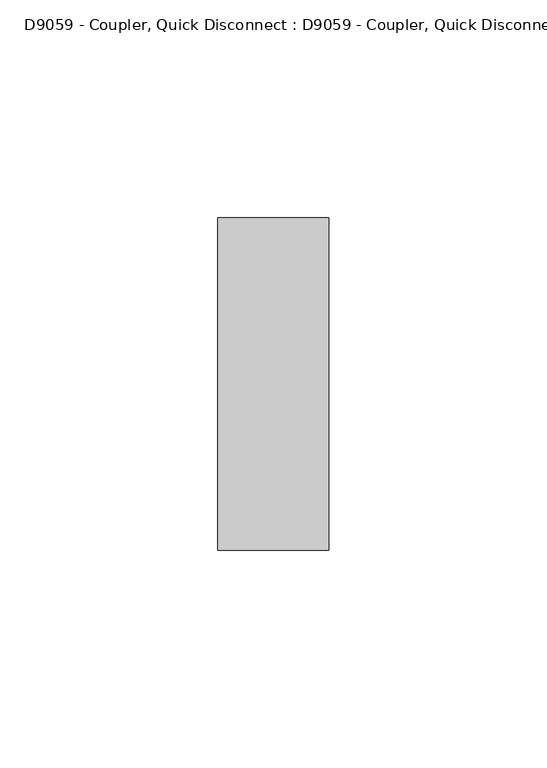
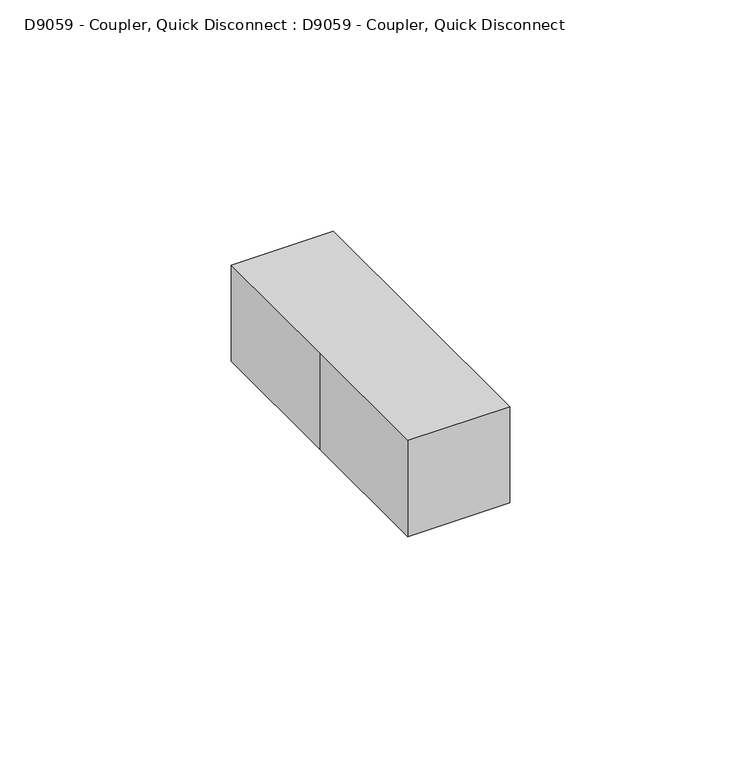
"""IFC4 building model written with IfcOpenShell, lengths in millimetres: proxy geometry, D9059 - Coupler, Quick Disconnect : D9059 - Coupler, Quick Disconnect."""

from ifc_helpers import new_model, si_unit, origin, origin_with_axes, place, context, project, spatial, polyline, outline, extrude, source, transform, mapped, element, save


def d9059_coupler_quick_disconnect_d9059_coupler_quick_63f1e9ec(model_context):
    return source(origin(), model_context, "Body", "SweptSolid", [
        extrude(outline(polyline([(9.8843685, 34.6812662), (9.8843685, -35.1687338), (-9.1656315, -35.1687338), (-9.1656315, 34.6812662), (9.8843685, 34.6812662)])), origin_with_axes(), (0.0, 0.0, 1.0), 19.05),
        extrude(outline(polyline([(-12.7, 38.1), (12.7, 38.1), (12.7, -38.1), (-12.7, -38.1), (-12.7, 0.0), (-12.7, 38.1)])), origin_with_axes(), (0.0, 0.0, 1.0), 25.4),
    ])


if __name__ == "__main__":
    model = new_model("IFC4")
    model_context = context("Model", 3, world=origin())
    ifc_project = project(units=[si_unit("LENGTHUNIT", "METRE", prefix="MILLI")], contexts=[model_context])
    site = spatial("IfcSite", under=ifc_project)
    building = spatial("IfcBuilding", under=site)
    placement = place(None, origin())
    d9059_coupler_quick_disconnect_d9059_coupler_quick_shape = d9059_coupler_quick_disconnect_d9059_coupler_quick_63f1e9ec(model_context)
    element("IfcBuildingElementProxy", 1, Name="D9059 - Coupler, Quick Disconnect : D9059 - Coupler, Quick Disconnect", ObjectType="D9059 - Coupler, Quick Disconnect : D9059 - Coupler, Quick Disconnect", at=placement, inside=building, context=model_context, shape_type="MappedRepresentation", body=[
        mapped(d9059_coupler_quick_disconnect_d9059_coupler_quick_shape, transform((0.0, 0.0, 0.0), x_axis=(1.0, 0.0, 0.0), y_axis=(0.0, 1.0, 0.0), z_axis=(0.0, 0.0, 1.0))),
    ])
    save(model, "model.ifc")
